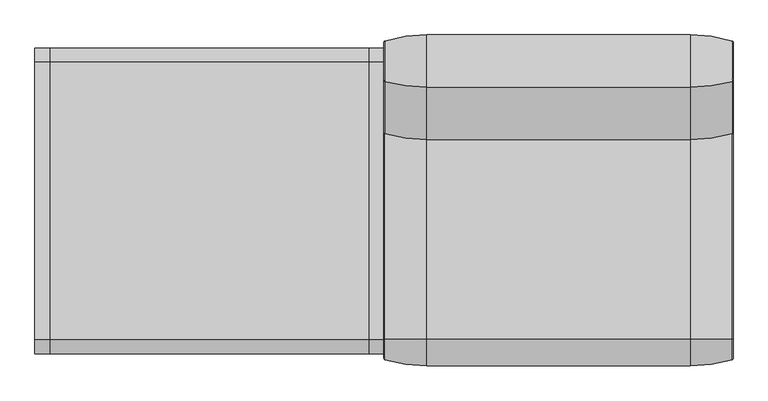
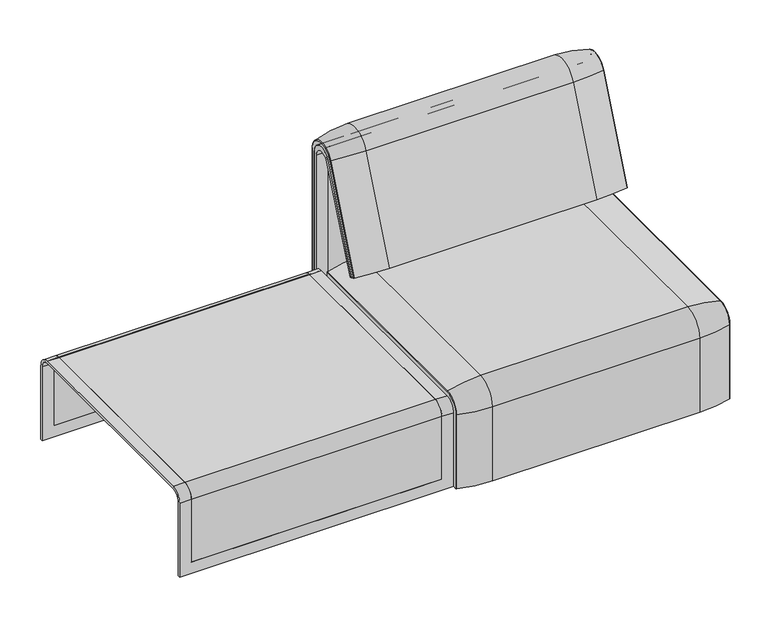
"""IFC4 building model written with IfcOpenShell, lengths in millimetres: furniture geometry."""

from ifc_helpers import new_model, si_unit, point, frame, frame_2d, origin, place, context, project, spatial, polyline, circle_curve, ellipse_curve, trimmed, segment, composite_curve, outline, extrude, source, transform, mapped, element, save
from ifc_brep_helpers import plane_surface, cylinder_surface, revolved_surface, advanced_brep


def furniture_090b2e21(model_context):
    return source(origin(), model_context, "Body", "SolidModel", [
        advanced_brep(
        [(-407.9906244, -368.7793679, 100.5089435), (-407.9906244, -357.5, 100.5089435), (407.9906244, -357.5, 100.5089435), (407.9906244, -368.7793679, 100.5089435), (405.8519959, -371.6530483, 100.5089435), (307.9906244, -386.0043559, 100.5089435), (-307.9906244, -386.0043559, 100.5089435), (-405.8519959, -371.6530483, 100.5089435), (-407.9906244, 295.0, 377.4518019), (-405.8519959, 295.0, 380.3254823), (-307.9906244, 295.0, 394.67679), (307.9906244, 295.0, 394.67679), (405.8519959, 295.0, 380.3254823), (407.9906244, 295.0, 377.4518019), (407.9906244, 295.0, 366.172434), (-407.9906244, 295.0, 366.172434), (-407.9906244, -368.7793679, 333.0583003), (-407.9906244, -324.3858663, 377.4518019), (-407.9906244, -324.3858663, 366.172434), (-407.9906244, -357.5, 333.0583003), (407.9906244, -357.5, 333.0583003), (307.9906244, -386.0043559, 333.0583003), (-307.9906244, -386.0043559, 333.0583003), (-405.8519959, -371.6530483, 333.0583003), (407.9906244, -324.3858663, 366.172434), (-307.9906244, -324.3858663, 394.67679), (307.9906244, -324.3858663, 394.67679), (-405.8519959, -324.3858663, 380.3254823), (407.9906244, -324.3858663, 377.4518019), (407.9906244, -368.7793679, 333.0583003), (405.8519959, -371.6530483, 333.0583003), (405.8519959, -324.3858663, 380.3254823)],
        [
            (0, 1),
            (1, 2),
            (2, 3),
            (3, 4, circle_curve(frame((404.9906244, -368.7793679, 100.5089435), z_axis=(0.0, 0.0, -1.0), x_axis=(-1.0, 0.0, 0.0)), 3.0)),
            (4, 5, circle_curve(frame((307.9906244, -45.1710226, 100.5089435), z_axis=(0.0, 0.0, -1.0), x_axis=(0.0, 1.0, 0.0)), 340.8333333)),
            (5, 6),
            (6, 7, circle_curve(frame((-307.9906244, -45.1710226, 100.5089435), z_axis=(0.0, 0.0, -1.0), x_axis=(0.0, 1.0, 0.0)), 340.8333333)),
            (7, 0, circle_curve(frame((-404.9906244, -368.7793679, 100.5089435), z_axis=(0.0, 0.0, -1.0), x_axis=(1.0, 0.0, 0.0)), 3.0)),
            (8, 9, circle_curve(frame((-404.9906244, 295.0, 377.4518019), z_axis=(0.0, 1.0, 0.0), x_axis=(1.0, 0.0, 0.0)), 3.0)),
            (9, 10, circle_curve(frame((-307.9906244, 295.0, 53.8434566), z_axis=(0.0, 1.0, 0.0), x_axis=(0.0, 0.0, -1.0)), 340.8333333)),
            (10, 11),
            (11, 12, circle_curve(frame((307.9906244, 295.0, 53.8434566), z_axis=(0.0, 1.0, 0.0), x_axis=(0.0, 0.0, -1.0)), 340.8333333)),
            (12, 13, circle_curve(frame((404.9906244, 295.0, 377.4518019), z_axis=(0.0, 1.0, 0.0), x_axis=(-1.0, 0.0, 0.0)), 3.0)),
            (13, 14),
            (14, 15),
            (15, 8),
            (0, 16),
            (16, 17, circle_curve(frame((-407.9906244, -324.3858663, 333.0583003), z_axis=(-1.0, 0.0, 0.0), x_axis=(0.0, -1.0, 0.0)), 44.3935016)),
            (17, 8),
            (15, 18),
            (18, 19, circle_curve(frame((-407.9906244, -324.3858663, 333.0583003), z_axis=(1.0, 0.0, 0.0), x_axis=(0.0, -1.0, 0.0)), 33.1141337)),
            (19, 1),
            (19, 20),
            (20, 2),
            (5, 21),
            (21, 22),
            (22, 6),
            (22, 23, circle_curve(frame((-307.9906244, -45.1710226, 333.0583003), z_axis=(0.0, 0.0, -1.0), x_axis=(0.0, 1.0, 0.0)), 340.8333333)),
            (23, 7),
            (23, 16, circle_curve(frame((-404.9906244, -368.7793679, 333.0583003), z_axis=(0.0, 0.0, -1.0), x_axis=(1.0, 0.0, 0.0)), 3.0)),
            (24, 20, circle_curve(frame((407.9906244, -324.3858663, 333.0583003), z_axis=(1.0, 0.0, 0.0), x_axis=(0.0, -1.0, 0.0)), 33.1141337)),
            (18, 24),
            (25, 22, circle_curve(frame((-307.9906244, -324.3858663, 333.0583003), z_axis=(1.0, 0.0, 0.0), x_axis=(0.0, -1.0, 0.0)), 61.6184897)),
            (21, 26, circle_curve(frame((307.9906244, -324.3858663, 333.0583003), z_axis=(-1.0, 0.0, 0.0), x_axis=(0.0, -1.0, 0.0)), 61.6184897)),
            (26, 25),
            (27, 23, circle_curve(frame((-405.8519959, -324.3858663, 333.0583003), z_axis=(1.0, 0.0, 0.0), x_axis=(0.0, -1.0, 0.0)), 47.267182)),
            (25, 27, circle_curve(frame((-307.9906244, -324.3858663, 53.8434566), z_axis=(0.0, -1.0, 0.0), x_axis=(0.0, 0.0, -1.0)), 340.8333333)),
            (27, 17, circle_curve(frame((-404.9906244, -324.3858663, 377.4518019), z_axis=(0.0, -1.0, 0.0), x_axis=(1.0, 0.0, 0.0)), 3.0)),
            (14, 24),
            (26, 11),
            (10, 25),
            (9, 27),
            (13, 28),
            (28, 29, circle_curve(frame((407.9906244, -324.3858663, 333.0583003), z_axis=(1.0, 0.0, 0.0), x_axis=(0.0, -1.0, 0.0)), 44.3935016)),
            (29, 3),
            (29, 30, circle_curve(frame((404.9906244, -368.7793679, 333.0583003), z_axis=(0.0, 0.0, -1.0), x_axis=(-1.0, 0.0, 0.0)), 3.0)),
            (30, 4),
            (30, 21, circle_curve(frame((307.9906244, -45.1710226, 333.0583003), z_axis=(0.0, 0.0, -1.0), x_axis=(0.0, 1.0, 0.0)), 340.8333333)),
            (31, 30, circle_curve(frame((405.8519959, -324.3858663, 333.0583003), z_axis=(1.0, 0.0, 0.0), x_axis=(0.0, -1.0, 0.0)), 47.267182)),
            (28, 31, circle_curve(frame((404.9906244, -324.3858663, 377.4518019), z_axis=(0.0, -1.0, 0.0), x_axis=(-1.0, 0.0, 0.0)), 3.0)),
            (31, 26, circle_curve(frame((307.9906244, -324.3858663, 53.8434566), z_axis=(0.0, -1.0, 0.0), x_axis=(0.0, 0.0, -1.0)), 340.8333333)),
            (12, 31),
        ],
        [
            plane_surface(frame((-407.9906244, -357.5, 100.5089435), z_axis=(0.0, 0.0, -1.0), x_axis=(1.0, 0.0, 0.0))),
            plane_surface(frame((-407.9906244, 295.0, 366.172434), z_axis=(0.0, 1.0, 0.0), x_axis=(1.0, 0.0, 0.0))),
            plane_surface(frame((-407.9906244, -368.7793679, 100.5089435), z_axis=(-1.0, 0.0, 0.0), x_axis=(0.0, 0.0, 1.0))),
            plane_surface(frame((-407.9906244, -357.5, 100.5089435), z_axis=(0.0, 1.0, 0.0), x_axis=(0.0, 0.0, 1.0))),
            plane_surface(frame((307.9906244, -386.0043559, 100.5089435), z_axis=(0.0, -1.0, 0.0), x_axis=(0.0, 0.0, 1.0))),
            cylinder_surface(frame((-307.9906244, -45.1710226, 100.5089435), z_axis=(0.0, 0.0, -1.0), x_axis=(0.0, 1.0, 0.0)), 340.8333333),
            cylinder_surface(frame((-404.9906244, -368.7793679, 100.5089435), z_axis=(0.0, 0.0, -1.0), x_axis=(1.0, 0.0, 0.0)), 3.0),
            revolved_surface(polyline([(-407.9906244, -357.5, 333.0583003), (407.9906244, -357.5, 333.0583003)]), (-407.9906244, -324.3858663, 333.0583003), (-1.0, 0.0, 0.0)),
            cylinder_surface(frame((-407.9906244, -324.3858663, 333.0583003), z_axis=(-1.0, 0.0, 0.0), x_axis=(0.0, -1.0, 0.0)), 61.6184897),
            revolved_surface(trimmed(ellipse_curve(frame((-307.9906244, -45.1710226, 333.0583003), z_axis=(0.0, 0.0, -1.0), x_axis=(0.0, 1.0, 0.0)), 340.8333333, 340.8333333), [point((-307.9906244, -386.0043559, 333.0583003))], [point((-405.8519959, -371.6530483, 333.0583003))], True, "CARTESIAN"), (-407.9906244, -324.3858663, 333.0583003), (-1.0, 0.0, 0.0)),
            revolved_surface(trimmed(ellipse_curve(frame((-404.9906244, -368.7793679, 333.0583003), z_axis=(0.0, 0.0, -1.0), x_axis=(1.0, 0.0, 0.0)), 3.0, 3.0), [point((-405.8519959, -371.6530483, 333.0583003))], [point((-407.9906244, -368.7793679, 333.0583003))], True, "CARTESIAN"), (-407.9906244, -324.3858663, 333.0583003), (-1.0, 0.0, 0.0)),
            plane_surface(frame((-407.9906244, -324.3858663, 366.172434), z_axis=(0.0, 0.0, -1.0), x_axis=(0.0, 1.0, 0.0))),
            plane_surface(frame((307.9906244, -324.3858663, 394.67679), z_axis=(0.0, 0.0, 1.0), x_axis=(0.0, 1.0, 0.0))),
            cylinder_surface(frame((-307.9906244, -324.3858663, 53.8434566), z_axis=(0.0, -1.0, 0.0), x_axis=(0.0, 0.0, -1.0)), 340.8333333),
            cylinder_surface(frame((-404.9906244, -324.3858663, 377.4518019), z_axis=(0.0, -1.0, 0.0), x_axis=(1.0, 0.0, 0.0)), 3.0),
            plane_surface(frame((407.9906244, -357.5, 100.5089435), z_axis=(1.0, 0.0, 0.0), x_axis=(0.0, 0.0, 1.0))),
            cylinder_surface(frame((404.9906244, -368.7793679, 100.5089435), z_axis=(0.0, 0.0, -1.0), x_axis=(-1.0, 0.0, 0.0)), 3.0),
            cylinder_surface(frame((307.9906244, -45.1710226, 100.5089435), z_axis=(0.0, 0.0, -1.0), x_axis=(0.0, 1.0, 0.0)), 340.8333333),
            revolved_surface(trimmed(ellipse_curve(frame((404.9906244, -368.7793679, 333.0583003), z_axis=(0.0, 0.0, -1.0), x_axis=(-1.0, 0.0, 0.0)), 3.0, 3.0), [point((407.9906244, -368.7793679, 333.0583003))], [point((405.8519959, -371.6530483, 333.0583003))], True, "CARTESIAN"), (-407.9906244, -324.3858663, 333.0583003), (-1.0, 0.0, 0.0)),
            revolved_surface(trimmed(ellipse_curve(frame((307.9906244, -45.1710226, 333.0583003), z_axis=(0.0, 0.0, -1.0), x_axis=(0.0, 1.0, 0.0)), 340.8333333, 340.8333333), [point((405.8519959, -371.6530483, 333.0583003))], [point((307.9906244, -386.0043559, 333.0583003))], True, "CARTESIAN"), (-407.9906244, -324.3858663, 333.0583003), (-1.0, 0.0, 0.0)),
            cylinder_surface(frame((404.9906244, -324.3858663, 377.4518019), z_axis=(0.0, -1.0, 0.0), x_axis=(-1.0, 0.0, 0.0)), 3.0),
            cylinder_surface(frame((307.9906244, -324.3858663, 53.8434566), z_axis=(0.0, -1.0, 0.0), x_axis=(0.0, 0.0, -1.0)), 340.8333333),
        ],
        [
            (0, [[1, 2, 3, 4, 5, 6, 7, 8]]),
            (1, [[9, 10, 11, 12, 13, 14, 15, 16]]),
            (2, [[-1, 17, 18, 19, -16, 20, 21, 22]]),
            (3, [[-2, -22, 23, 24]]),
            (4, [[-6, 25, 26, 27]]),
            (5, [[-7, -27, 28, 29]]),
            (6, [[-8, -29, 30, -17]]),
            (7, [[31, -23, -21, 32]]),
            (8, [[33, -26, 34, 35]]),
            (9, [[36, -28, -33, 37]]),
            (10, [[-18, -30, -36, 38]]),
            (11, [[-32, -20, -15, 39]]),
            (12, [[-35, 40, -11, 41]]),
            (13, [[-37, -41, -10, 42]]),
            (14, [[-38, -42, -9, -19]]),
            (15, [[-3, -24, -31, -39, -14, 43, 44, 45]]),
            (16, [[-4, -45, 46, 47]]),
            (17, [[-5, -47, 48, -25]]),
            (18, [[49, -46, -44, 50]]),
            (19, [[-34, -48, -49, 51]]),
            (20, [[-50, -43, -13, 52]]),
            (21, [[-51, -52, -12, -40]]),
        ],
    ),
        advanced_brep(
        [(408.0071685, 351.0000061, 101.8476716), (408.0071685, 359.7858817, 101.8476716), (408.0071685, 359.7858817, 720.3417731), (408.0071685, 292.4403877, 733.7122262), (408.0071685, 170.1966807, 437.98305), (408.0071685, 175.0204081, 435.9866665), (408.0071685, 296.2458652, 723.9869215), (408.0071685, 351.0000061, 712.9272623), (-407.9740803, 351.0000061, 101.8476716), (-407.9740803, 351.0000061, 712.9272623), (-407.9740803, 296.2720241, 723.9759107), (-407.9740803, 175.0204081, 435.9866665), (-407.9740803, 170.1966807, 437.98305), (-407.9740803, 292.4403877, 733.7122262), (-407.9740803, 359.7858817, 720.3417731), (-407.9740803, 359.7858817, 101.8476716), (373.0906244, 292.4403877, 733.7122262), (373.0906244, 176.0980387, 452.25948), (-373.0906244, 176.0980387, 452.25948), (-373.0906244, 292.4403877, 733.7122262), (-373.0906244, 296.2458652, 723.9869215), (-373.0906244, 181.0136548, 450.2250668), (373.0906244, 181.0136548, 450.2250668), (373.0906244, 296.2458652, 723.9869215), (373.0906244, 351.0000061, 712.9272623), (373.0906244, 351.0000061, 135.3766997), (-373.0906244, 351.0000061, 135.3766997), (-373.0906244, 351.0000061, 712.9272623), (-373.0906244, 359.7858817, 720.3417731), (-373.0906244, 359.7858817, 135.3766997), (373.0906244, 359.7858817, 135.3766997), (373.0906244, 359.7858817, 720.3417731)],
        [
            (0, 1),
            (1, 2),
            (2, 3, circle_curve(frame((408.0071685, 324.7858817, 720.3417731), z_axis=(1.0, 0.0, 0.0), x_axis=(0.0, -1.0, 0.0)), 35.0)),
            (3, 4),
            (4, 5),
            (5, 6),
            (6, 7, circle_curve(frame((408.0071685, 322.520748, 712.9272623), z_axis=(-1.0, 0.0, 0.0), x_axis=(0.0, -1.0, 0.0)), 28.479258)),
            (7, 0),
            (8, 9),
            (9, 10, circle_curve(frame((-407.9740803, 322.520748, 712.9272623), z_axis=(1.0, 0.0, 0.0), x_axis=(0.0, -1.0, 0.0)), 28.479258)),
            (10, 11),
            (11, 12),
            (12, 13),
            (13, 14, circle_curve(frame((-407.9740803, 324.7858817, 720.3417731), z_axis=(-1.0, 0.0, 0.0), x_axis=(0.0, -1.0, 0.0)), 35.0)),
            (14, 15),
            (15, 8),
            (3, 16),
            (16, 17),
            (17, 18),
            (18, 19),
            (19, 13),
            (12, 4),
            (11, 5),
            (10, 20),
            (20, 21),
            (21, 22),
            (22, 23),
            (23, 6),
            (7, 24),
            (24, 25),
            (25, 26),
            (26, 27),
            (27, 9),
            (8, 0),
            (15, 1),
            (14, 28),
            (28, 29),
            (29, 30),
            (30, 31),
            (31, 2),
            (31, 16, circle_curve(frame((373.0906244, 324.7858817, 720.3417731), z_axis=(1.0, 0.0, 0.0), x_axis=(0.0, -1.0, 0.0)), 35.0)),
            (19, 28, circle_curve(frame((-373.0906244, 324.7858817, 720.3417731), z_axis=(-1.0, 0.0, 0.0), x_axis=(0.0, -1.0, 0.0)), 35.0)),
            (23, 24, circle_curve(frame((373.0906244, 322.520748, 712.9272623), z_axis=(-1.0, 0.0, 0.0), x_axis=(0.0, -1.0, 0.0)), 28.479258)),
            (27, 20, circle_curve(frame((-373.0906244, 322.520748, 712.9272623), z_axis=(1.0, 0.0, 0.0), x_axis=(0.0, -1.0, 0.0)), 28.479258)),
            (22, 17),
            (30, 25),
            (26, 29),
            (18, 21),
        ],
        [
            plane_surface(frame((408.0071685, 359.7858817, 101.8476716), z_axis=(1.0, 0.0, 0.0), x_axis=(0.0, 1.0, 0.0))),
            plane_surface(frame((-407.9740803, 359.7858817, 101.8476716), z_axis=(-1.0, 0.0, 0.0), x_axis=(0.0, -1.0, 0.0))),
            plane_surface(frame((408.0071685, 292.4403877, 733.7122262), z_axis=(0.0, -0.9241569717933176, 0.3820129467515535), x_axis=(-1.0, 0.0, 0.0))),
            plane_surface(frame((408.0071685, 170.1966807, 437.98305), z_axis=(0.0, -0.38241039441983893, -0.9239925812687368), x_axis=(-1.0, 0.0, 0.0))),
            plane_surface(frame((408.0071685, 175.0204081, 435.9866665), z_axis=(0.0, 0.921678643444566, -0.3879542218073993), x_axis=(-1.0, 0.0, 0.0))),
            plane_surface(frame((408.0071685, 351.0000061, 712.9272623), z_axis=(0.0, -1.0, 0.0), x_axis=(-1.0, 0.0, 0.0))),
            plane_surface(frame((408.0071685, 351.0000061, 101.8476716), z_axis=(0.0, 0.0, -1.0), x_axis=(-1.0, 0.0, 0.0))),
            plane_surface(frame((408.0071685, 359.7858817, 101.8476716), z_axis=(0.0, 1.0, 0.0), x_axis=(-1.0, 0.0, 0.0))),
            cylinder_surface(frame((-407.9740803, 324.7858817, 720.3417731), z_axis=(1.0, 0.0, 0.0), x_axis=(0.0, -1.0, 0.0)), 35.0),
            revolved_surface(polyline([(373.09062439999997, 294.04149, 712.9272623), (408.0071685, 294.04149, 712.9272623)]), (-407.9740803, 322.520748, 712.9272623), (-1.0, 0.0, 0.0)),
            revolved_surface(polyline([(-407.9740803, 294.04149, 712.9272623), (-373.0906244, 294.04149, 712.9272623)]), (-407.9740803, 322.520748, 712.9272623), (-1.0, 0.0, 0.0)),
            plane_surface(frame((373.0906244, 359.7858817, 135.3766997), z_axis=(-1.0, 0.0, 0.0), x_axis=(0.0, 1.0, 0.0))),
            plane_surface(frame((-373.0906244, 359.7858817, 135.3766997), z_axis=(1.0, 0.0, 0.0), x_axis=(0.0, -1.0, 0.0))),
            plane_surface(frame((373.0906244, 166.9120641, 456.0612553), z_axis=(0.0, 0.38241039441982605, 0.9239925812687422), x_axis=(-1.0, 0.0, 0.0))),
            plane_surface(frame((373.0906244, 344.7858817, 135.3766997), z_axis=(0.0, 0.0, 1.0), x_axis=(-1.0, 0.0, 0.0))),
        ],
        [
            (0, [[1, 2, 3, 4, 5, 6, 7, 8]]),
            (1, [[9, 10, 11, 12, 13, 14, 15, 16]]),
            (2, [[-4, 17, 18, 19, 20, 21, -13, 22]]),
            (3, [[-5, -22, -12, 23]]),
            (4, [[-6, -23, -11, 24, 25, 26, 27, 28]]),
            (5, [[-8, 29, 30, 31, 32, 33, -9, 34]]),
            (6, [[-1, -34, -16, 35]]),
            (7, [[-2, -35, -15, 36, 37, 38, 39, 40]]),
            (8, [[-3, -40, 41, -17]]),
            (8, [[-14, -21, 42, -36]]),
            (9, [[-7, -28, 43, -29]]),
            (10, [[-10, -33, 44, -24]]),
            (11, [[45, -18, -41, -39, 46, -30, -43, -27]]),
            (12, [[47, -37, -42, -20, 48, -25, -44, -32]]),
            (13, [[-45, -26, -48, -19]]),
            (14, [[-46, -38, -47, -31]]),
        ],
    ),
        advanced_brep(
        [(373.0906244, 351.0000061, 135.3766997), (373.0906244, 359.7858817, 135.3766997), (373.0906244, 359.7858817, 720.3417731), (373.0906244, 292.4403877, 733.7122262), (373.0906244, 176.0980387, 452.25948), (373.0906244, 181.0136548, 450.2250668), (373.0906244, 296.2458652, 723.9869215), (373.0906244, 351.0000061, 712.9272623), (-373.0906244, 351.0000061, 135.3766997), (-373.0906244, 351.0000061, 712.9272623), (-373.0906244, 296.2720241, 723.9759107), (-373.0906244, 181.0136548, 450.2250668), (-373.0906244, 176.0980387, 452.25948), (-373.0906244, 292.4403877, 733.7122262), (-373.0906244, 359.7858817, 720.3417731), (-373.0906244, 359.7858817, 135.3766997)],
        [
            (0, 1),
            (1, 2),
            (2, 3, circle_curve(frame((373.0906244, 324.7858817, 720.3417731), z_axis=(1.0, 0.0, 0.0), x_axis=(0.0, -1.0, 0.0)), 35.0)),
            (3, 4),
            (4, 5),
            (5, 6),
            (6, 7, circle_curve(frame((373.0906244, 322.520748, 712.9272623), z_axis=(-1.0, 0.0, 0.0), x_axis=(0.0, -1.0, 0.0)), 28.479258)),
            (7, 0),
            (8, 9),
            (9, 10, circle_curve(frame((-373.0906244, 322.520748, 712.9272623), z_axis=(1.0, 0.0, 0.0), x_axis=(0.0, -1.0, 0.0)), 28.479258)),
            (10, 11),
            (11, 12),
            (12, 13),
            (13, 14, circle_curve(frame((-373.0906244, 324.7858817, 720.3417731), z_axis=(-1.0, 0.0, 0.0), x_axis=(0.0, -1.0, 0.0)), 35.0)),
            (14, 15),
            (15, 8),
            (3, 13),
            (12, 4),
            (11, 5),
            (10, 6),
            (7, 9),
            (8, 0),
            (15, 1),
            (14, 2),
        ],
        [
            plane_surface(frame((373.0906244, 359.7858817, 135.3766997), z_axis=(1.0, 0.0, 0.0), x_axis=(0.0, 1.0, 0.0))),
            plane_surface(frame((-373.0906244, 359.7858817, 135.3766997), z_axis=(-1.0, 0.0, 0.0), x_axis=(0.0, -1.0, 0.0))),
            plane_surface(frame((373.0906244, 292.4403877, 733.7122262), z_axis=(0.0, -0.9241569717933176, 0.3820129467515535), x_axis=(-1.0, 0.0, 0.0))),
            plane_surface(frame((373.0906244, 176.0980387, 452.25948), z_axis=(0.0, -0.38241039441982716, -0.9239925812687417), x_axis=(-1.0, 0.0, 0.0))),
            plane_surface(frame((373.0906244, 181.0136548, 450.2250668), z_axis=(0.0, 0.921678643444566, -0.3879542218073993), x_axis=(-1.0, 0.0, 0.0))),
            plane_surface(frame((373.0906244, 351.0000061, 712.9272623), z_axis=(0.0, -1.0, 0.0), x_axis=(-1.0, 0.0, 0.0))),
            plane_surface(frame((373.0906244, 351.0000061, 135.3766997), z_axis=(0.0, 0.0, -1.0), x_axis=(-1.0, 0.0, 0.0))),
            plane_surface(frame((373.0906244, 359.7858817, 135.3766997), z_axis=(0.0, 1.0, 0.0), x_axis=(-1.0, 0.0, 0.0))),
            cylinder_surface(frame((-373.0906244, 324.7858817, 720.3417731), z_axis=(1.0, 0.0, 0.0), x_axis=(0.0, -1.0, 0.0)), 35.0),
            revolved_surface(polyline([(-373.0906244, 294.04149, 712.9272623), (373.0906244, 294.04149, 712.9272623)]), (-373.0906244, 322.520748, 712.9272623), (-1.0, 0.0, 0.0)),
        ],
        [
            (0, [[1, 2, 3, 4, 5, 6, 7, 8]]),
            (1, [[9, 10, 11, 12, 13, 14, 15, 16]]),
            (2, [[-4, 17, -13, 18]]),
            (3, [[-5, -18, -12, 19]]),
            (4, [[-6, -19, -11, 20]]),
            (5, [[-8, 21, -9, 22]]),
            (6, [[-1, -22, -16, 23]]),
            (7, [[-2, -23, -15, 24]]),
            (8, [[-3, -24, -14, -17]]),
            (9, [[-7, -20, -10, -21]]),
        ],
    ),
        extrude(outline(composite_curve([segment(trimmed(circle_curve(frame_2d((305.0000061, 379.9223263)), 30.0), [point((305.0000061, 349.9223263))], [point((335.0000061, 379.9223263))], True, "CARTESIAN"), True, "CONTINUOUS"), segment(polyline([(335.0000061, 379.9223263), (335.0000061, 515.0657595)]), True, "CONTINUOUS"), segment(trimmed(circle_curve(frame_2d((305.0000061, 515.0657595)), 30.0), [point((335.0000061, 515.0657595))], [point((316.7219399, 542.6809051))], True, "CARTESIAN"), True, "CONTINUOUS"), segment(polyline([(316.7219399, 542.6809051), (257.4911714, 567.8228747)]), True, "CONTINUOUS"), segment(trimmed(circle_curve(frame_2d((251.6302045, 554.0153019)), 15.0), [point((257.4911714, 567.8228747))], [point((238.0355877, 560.3545758))], True, "CARTESIAN"), True, "CONTINUOUS"), segment(polyline([(238.0355877, 560.3545758), (222.2725218, 526.5505721), (213.7507451, 529.5682915), (296.3054528, 724.0549949)]), True, "CONTINUOUS"), segment(trimmed(circle_curve(frame_2d((322.520748, 712.9272623)), 28.479258), [point((296.3054528, 724.0549949))], [point((351.0000061, 712.9272623))], False, "CARTESIAN"), True, "CONTINUOUS"), segment(polyline([(351.0000061, 712.9272623), (351.0000061, 197.0551771), (343.3075759, 197.0551771), (339.4064861, 271.492405)]), True, "CONTINUOUS"), segment(trimmed(circle_curve(frame_2d((309.4476, 269.9223263)), 30.0), [point((339.4064861, 271.492405))], [point((309.4476, 299.9223263))], True, "CARTESIAN"), True, "CONTINUOUS"), segment(polyline([(309.4476, 299.9223263), (270.0000061, 299.9223263), (270.0000061, 359.9223263), (275.0000061, 359.9223263)]), True, "CONTINUOUS"), segment(trimmed(circle_curve(frame_2d((285.0000061, 359.9223263)), 10.0), [point((275.0000061, 359.9223263))], [point((285.0000061, 349.9223263))], True, "CARTESIAN"), True, "CONTINUOUS"), segment(polyline([(285.0000061, 349.9223263), (305.0000061, 349.9223263)]), True, "CONTINUOUS")], self_intersect=False), holes=[composite_curve([segment(polyline([(337.5000061, 576.3274105), (337.5000061, 716.7072663)]), True, "CONTINUOUS"), segment(trimmed(circle_curve(frame_2d((322.5000061, 716.7072663)), 15.0), [point((337.5000061, 716.7072663))], [point((308.9053893, 723.0465402))], True, "CARTESIAN"), True, "CONTINUOUS"), segment(polyline([(308.9053893, 723.0465402), (253.6256191, 604.4986904)]), True, "CONTINUOUS"), segment(trimmed(circle_curve(frame_2d((271.7517748, 596.0463251)), 20.0), [point((253.6256191, 604.4986904))], [point((265.0756376, 577.1934953))], True, "CARTESIAN"), True, "CONTINUOUS"), segment(polyline([(265.0756376, 577.1934953), (314.1406626, 559.8186587)]), True, "CONTINUOUS"), segment(trimmed(circle_curve(frame_2d((319.9867182, 576.3274105)), 17.5132879), [point((314.1406626, 559.8186587))], [point((337.5000061, 576.3274105))], True, "CARTESIAN"), True, "CONTINUOUS")], self_intersect=False)]), frame((244.9947968, 0.0, 0.0), z_axis=(1.0, 0.0, 0.0), x_axis=(0.0, 1.0, 0.0)), (0.0, 0.0, 1.0), 40.0),
        advanced_brep(
        [(308.0071685, 388.2902376, 100.5089435), (405.86854, 373.93893, 100.5089435), (408.0071685, 371.0652495, 100.5089435), (408.0071685, 359.7858817, 100.5089435), (-408.0071685, 359.7858817, 100.5089435), (-408.0071685, 371.0652495, 100.5089435), (-405.86854, 373.93893, 100.5089435), (-308.0071685, 388.2902376, 100.5089435), (-308.0071685, 388.2902376, 720.3417731), (308.0071685, 388.2902376, 720.3417731), (405.86854, 373.93893, 720.3417731), (408.0071685, 371.0652495, 720.3417731), (408.0071685, 282.0164812, 738.0210907), (408.0071685, 159.7723383, 442.2908598), (408.0071685, 170.1962447, 437.9819952), (408.0071685, 292.4403877, 733.7122262), (408.0071685, 359.7858817, 720.3417731), (-408.0071685, 359.7858817, 720.3417731), (308.0071685, 143.8537454, 448.8710282), (-308.0071685, 143.8537454, 448.8710282), (-405.86854, 157.1166065, 443.3886429), (-408.0071685, 159.7723383, 442.2908598), (-408.0071685, 170.1962447, 437.9819952), (405.86854, 157.1166065, 443.3886429), (308.0071685, 266.0978884, 744.6012592), (-308.0071685, 266.0978884, 744.6012592), (405.86854, 279.3607494, 739.1188739), (-408.0071685, 292.4403877, 733.7122262), (-408.0071685, 282.0164812, 738.0210907), (-408.0071685, 371.0652495, 720.3417731), (-405.86854, 373.93893, 720.3417731), (-405.86854, 279.3607494, 739.1188739)],
        [
            (0, 1, circle_curve(frame((308.0071685, 47.4569043, 100.5089435), z_axis=(0.0, 0.0, -1.0), x_axis=(0.0, -1.0, 0.0)), 340.8333333)),
            (1, 2, circle_curve(frame((405.0071685, 371.0652495, 100.5089435), z_axis=(0.0, 0.0, -1.0), x_axis=(1.0, 0.0, 0.0)), 3.0)),
            (2, 3),
            (3, 4),
            (4, 5),
            (5, 6, circle_curve(frame((-405.0071685, 371.0652495, 100.5089435), z_axis=(0.0, 0.0, -1.0), x_axis=(-1.0, 0.0, 0.0)), 3.0)),
            (6, 7, circle_curve(frame((-308.0071685, 47.4569043, 100.5089435), z_axis=(0.0, 0.0, -1.0), x_axis=(0.0, -1.0, 0.0)), 340.8333333)),
            (7, 0),
            (7, 8),
            (8, 9),
            (9, 0),
            (9, 10, circle_curve(frame((308.0071685, 47.4569043, 720.3417731), z_axis=(0.0, 0.0, -1.0), x_axis=(0.0, -1.0, 0.0)), 340.8333333)),
            (10, 1),
            (10, 11, circle_curve(frame((405.0071685, 371.0652495, 720.3417731), z_axis=(0.0, 0.0, -1.0), x_axis=(1.0, 0.0, 0.0)), 3.0)),
            (11, 2),
            (11, 12, circle_curve(frame((408.0071685, 324.7858817, 720.3417731), z_axis=(1.0, 0.0, 0.0), x_axis=(0.0, 1.0, 0.0)), 46.2793679)),
            (12, 13),
            (13, 14),
            (14, 15),
            (15, 16, circle_curve(frame((408.0071685, 324.7858817, 720.3417731), z_axis=(-1.0, 0.0, 0.0), x_axis=(0.0, 1.0, 0.0)), 35.0)),
            (16, 3),
            (16, 17),
            (17, 4),
            (18, 19),
            (19, 20, circle_curve(frame((-308.0071685, 458.8372467, 318.6682822), z_axis=(0.0, -0.38201294675155345, -0.9241569717933176), x_axis=(0.0, 0.9241569717933176, -0.38201294675155345)), 340.8333333)),
            (20, 21, circle_curve(frame((-405.0071685, 159.7723383, 442.2908598), z_axis=(0.0, -0.38201294675155345, -0.9241569717933176), x_axis=(-1.0, 0.0, 0.0)), 3.0)),
            (21, 22),
            (22, 14),
            (13, 23, circle_curve(frame((405.0071685, 159.7723383, 442.2908598), z_axis=(0.0, -0.38201294675155345, -0.9241569717933176), x_axis=(1.0, 0.0, 0.0)), 3.0)),
            (23, 18, circle_curve(frame((308.0071685, 458.8372467, 318.6682822), z_axis=(0.0, -0.38201294675155345, -0.9241569717933176), x_axis=(0.0, 0.9241569717933176, -0.38201294675155345)), 340.8333333)),
            (24, 9, circle_curve(frame((308.0071685, 324.7858817, 720.3417731), z_axis=(-1.0, 0.0, 0.0), x_axis=(0.0, 1.0, 0.0)), 63.5043559)),
            (8, 25, circle_curve(frame((-308.0071685, 324.7858817, 720.3417731), z_axis=(1.0, 0.0, 0.0), x_axis=(0.0, 1.0, 0.0)), 63.5043559)),
            (25, 24),
            (26, 10, circle_curve(frame((405.86854, 324.7858817, 720.3417731), z_axis=(-1.0, 0.0, 0.0), x_axis=(0.0, 1.0, 0.0)), 49.1530483)),
            (24, 26, circle_curve(frame((308.0071685, 581.0813896, 614.3985132), z_axis=(0.0, 0.382012946751556, 0.9241569717933165), x_axis=(0.0, 0.9241569717933165, -0.382012946751556)), 340.8333333)),
            (26, 12, circle_curve(frame((405.0071685, 282.0164812, 738.0210907), z_axis=(0.0, 0.3820129467515552, 0.9241569717933168), x_axis=(1.0, 0.0, 0.0)), 3.0)),
            (27, 17, circle_curve(frame((-408.0071685, 324.7858817, 720.3417731), z_axis=(-1.0, 0.0, 0.0), x_axis=(0.0, 1.0, 0.0)), 35.0)),
            (15, 27),
            (25, 19),
            (18, 24),
            (23, 26),
            (22, 27),
            (21, 28),
            (28, 29, circle_curve(frame((-408.0071685, 324.7858817, 720.3417731), z_axis=(-1.0, 0.0, 0.0), x_axis=(0.0, 1.0, 0.0)), 46.2793679)),
            (29, 5),
            (29, 30, circle_curve(frame((-405.0071685, 371.0652495, 720.3417731), z_axis=(0.0, 0.0, -1.0), x_axis=(-1.0, 0.0, 0.0)), 3.0)),
            (30, 6),
            (30, 8, circle_curve(frame((-308.0071685, 47.4569043, 720.3417731), z_axis=(0.0, 0.0, -1.0), x_axis=(0.0, -1.0, 0.0)), 340.8333333)),
            (31, 30, circle_curve(frame((-405.86854, 324.7858817, 720.3417731), z_axis=(-1.0, 0.0, 0.0), x_axis=(0.0, 1.0, 0.0)), 49.1530483)),
            (28, 31, circle_curve(frame((-405.0071685, 282.0164812, 738.0210907), z_axis=(0.0, 0.3820129467515544, 0.9241569717933172), x_axis=(-1.0, 0.0, 0.0)), 3.0)),
            (31, 25, circle_curve(frame((-308.0071685, 581.0813896, 614.3985132), z_axis=(0.0, 0.3820129467515532, 0.9241569717933177), x_axis=(0.0, 0.9241569717933177, -0.3820129467515532)), 340.8333333)),
            (20, 31),
        ],
        [
            plane_surface(frame((4.7650232, 359.7858817, 100.5089435), z_axis=(0.0, 0.0, -1.0), x_axis=(1.0, 0.0, 0.0))),
            plane_surface(frame((-308.0071685, 388.2902376, 100.5089435), z_axis=(0.0, 1.0, 0.0), x_axis=(0.0, 0.0, 1.0))),
            cylinder_surface(frame((308.0071685, 47.4569043, 100.5089435), z_axis=(0.0, 0.0, -1.0), x_axis=(0.0, -1.0, 0.0)), 340.8333333),
            cylinder_surface(frame((405.0071685, 371.0652495, 100.5089435), z_axis=(0.0, 0.0, -1.0), x_axis=(1.0, 0.0, 0.0)), 3.0),
            plane_surface(frame((408.0071685, 371.0652495, 100.5089435), z_axis=(1.0, 0.0, 0.0), x_axis=(0.0, 0.0, 1.0))),
            plane_surface(frame((408.0071685, 359.7858817, 100.5089435), z_axis=(0.0, -1.0, 0.0), x_axis=(0.0, 0.0, 1.0))),
            plane_surface(frame((4.7650232, 170.1962447, 437.9819952), z_axis=(0.0, -0.38201294675155345, -0.9241569717933176), x_axis=(1.0, 0.0, 0.0))),
            cylinder_surface(frame((4.7650232, 324.7858817, 720.3417731), z_axis=(1.0, 0.0, 0.0), x_axis=(0.0, 1.0, 0.0)), 63.5043559),
            revolved_surface(trimmed(ellipse_curve(frame((308.0071685, 47.4569043, 720.3417731), z_axis=(0.0, 0.0, -1.0), x_axis=(0.0, -1.0, 0.0)), 340.8333333, 340.8333333), [point((308.0071685, 388.2902376, 720.3417731))], [point((405.86854, 373.93893, 720.3417731))], True, "CARTESIAN"), (4.7650232, 324.7858817, 720.3417731), (1.0, 0.0, 0.0)),
            revolved_surface(trimmed(ellipse_curve(frame((405.0071685, 371.0652495, 720.3417731), z_axis=(0.0, 0.0, -1.0), x_axis=(1.0, 0.0, 0.0)), 3.0, 3.0), [point((405.86854, 373.93893, 720.3417731))], [point((408.0071685, 371.0652495, 720.3417731))], True, "CARTESIAN"), (4.7650232, 324.7858817, 720.3417731), (1.0, 0.0, 0.0)),
            revolved_surface(polyline([(408.0071685, 359.7858817, 720.3417731), (-408.0071685, 359.7858817, 720.3417731)]), (4.7650232, 324.7858817, 720.3417731), (1.0, 0.0, 0.0)),
            plane_surface(frame((-308.0071685, 266.0978884, 744.6012592), z_axis=(0.0, -0.9241569717933176, 0.38201294675155356), x_axis=(0.0, -0.38201294675155356, -0.9241569717933176))),
            cylinder_surface(frame((308.0071685, 581.0813896, 614.3985132), z_axis=(0.0, 0.38201294675155345, 0.9241569717933176), x_axis=(0.0, 0.9241569717933176, -0.38201294675155345)), 340.8333333),
            cylinder_surface(frame((405.0071685, 282.0164812, 738.0210907), z_axis=(0.0, 0.38201294675155345, 0.9241569717933176), x_axis=(1.0, 0.0, 0.0)), 3.0),
            plane_surface(frame((408.0071685, 292.4403877, 733.7122262), z_axis=(0.0, 0.9241569717933176, -0.38201294675155356), x_axis=(0.0, -0.38201294675155356, -0.9241569717933176))),
            plane_surface(frame((-408.0071685, 359.7858817, 100.5089435), z_axis=(-1.0, 0.0, 0.0), x_axis=(0.0, 0.0, 1.0))),
            cylinder_surface(frame((-405.0071685, 371.0652495, 100.5089435), z_axis=(0.0, 0.0, -1.0), x_axis=(-1.0, 0.0, 0.0)), 3.0),
            cylinder_surface(frame((-308.0071685, 47.4569043, 100.5089435), z_axis=(0.0, 0.0, -1.0), x_axis=(0.0, -1.0, 0.0)), 340.8333333),
            revolved_surface(trimmed(ellipse_curve(frame((-405.0071685, 371.0652495, 720.3417731), z_axis=(0.0, 0.0, -1.0), x_axis=(-1.0, 0.0, 0.0)), 3.0, 3.0), [point((-408.0071685, 371.0652495, 720.3417731))], [point((-405.86854, 373.93893, 720.3417731))], True, "CARTESIAN"), (4.7650232, 324.7858817, 720.3417731), (1.0, 0.0, 0.0)),
            revolved_surface(trimmed(ellipse_curve(frame((-308.0071685, 47.4569043, 720.3417731), z_axis=(0.0, 0.0, -1.0), x_axis=(0.0, -1.0, 0.0)), 340.8333333, 340.8333333), [point((-405.86854, 373.93893, 720.3417731))], [point((-308.0071685, 388.2902376, 720.3417731))], True, "CARTESIAN"), (4.7650232, 324.7858817, 720.3417731), (1.0, 0.0, 0.0)),
            cylinder_surface(frame((-405.0071685, 282.0164812, 738.0210907), z_axis=(0.0, 0.38201294675155345, 0.9241569717933176), x_axis=(-1.0, 0.0, 0.0)), 3.0),
            cylinder_surface(frame((-308.0071685, 581.0813896, 614.3985132), z_axis=(0.0, 0.38201294675155345, 0.9241569717933176), x_axis=(0.0, 0.9241569717933176, -0.38201294675155345)), 340.8333333),
        ],
        [
            (0, [[1, 2, 3, 4, 5, 6, 7, 8]]),
            (1, [[-8, 9, 10, 11]]),
            (2, [[-1, -11, 12, 13]]),
            (3, [[-2, -13, 14, 15]]),
            (4, [[-3, -15, 16, 17, 18, 19, 20, 21]]),
            (5, [[-4, -21, 22, 23]]),
            (6, [[24, 25, 26, 27, 28, -18, 29, 30]]),
            (7, [[31, -10, 32, 33]]),
            (8, [[34, -12, -31, 35]]),
            (9, [[-16, -14, -34, 36]]),
            (10, [[37, -22, -20, 38]]),
            (11, [[-33, 39, -24, 40]]),
            (12, [[-35, -40, -30, 41]]),
            (13, [[-36, -41, -29, -17]]),
            (14, [[-38, -19, -28, 42]]),
            (15, [[-5, -23, -37, -42, -27, 43, 44, 45]]),
            (16, [[-6, -45, 46, 47]]),
            (17, [[-7, -47, 48, -9]]),
            (18, [[49, -46, -44, 50]]),
            (19, [[-32, -48, -49, 51]]),
            (20, [[-50, -43, -26, 52]]),
            (21, [[-51, -52, -25, -39]]),
        ],
    ),
        extrude(outline(composite_curve([segment(trimmed(circle_curve(frame_2d((305.0000061, 379.9223263)), 30.0), [point((305.0000061, 349.9223263))], [point((335.0000061, 379.9223263))], True, "CARTESIAN"), True, "CONTINUOUS"), segment(polyline([(335.0000061, 379.9223263), (335.0000061, 515.0657595)]), True, "CONTINUOUS"), segment(trimmed(circle_curve(frame_2d((305.0000061, 515.0657595)), 30.0), [point((335.0000061, 515.0657595))], [point((316.7219399, 542.6809051))], True, "CARTESIAN"), True, "CONTINUOUS"), segment(polyline([(316.7219399, 542.6809051), (257.4911714, 567.8228747)]), True, "CONTINUOUS"), segment(trimmed(circle_curve(frame_2d((251.6302045, 554.0153019)), 15.0), [point((257.4911714, 567.8228747))], [point((238.0355877, 560.3545758))], True, "CARTESIAN"), True, "CONTINUOUS"), segment(polyline([(238.0355877, 560.3545758), (222.2725218, 526.5505721), (213.7507451, 529.5682915), (296.3054528, 724.0549949)]), True, "CONTINUOUS"), segment(trimmed(circle_curve(frame_2d((322.520748, 712.9272623)), 28.479258), [point((296.3054528, 724.0549949))], [point((351.0000061, 712.9272623))], False, "CARTESIAN"), True, "CONTINUOUS"), segment(polyline([(351.0000061, 712.9272623), (351.0000061, 197.0551771), (343.3075759, 197.0551771), (339.4064861, 271.492405)]), True, "CONTINUOUS"), segment(trimmed(circle_curve(frame_2d((309.4476, 269.9223263)), 30.0), [point((339.4064861, 271.492405))], [point((309.4476, 299.9223263))], True, "CARTESIAN"), True, "CONTINUOUS"), segment(polyline([(309.4476, 299.9223263), (270.0000061, 299.9223263), (270.0000061, 359.9223263), (275.0000061, 359.9223263)]), True, "CONTINUOUS"), segment(trimmed(circle_curve(frame_2d((285.0000061, 359.9223263)), 10.0), [point((275.0000061, 359.9223263))], [point((285.0000061, 349.9223263))], True, "CARTESIAN"), True, "CONTINUOUS"), segment(polyline([(285.0000061, 349.9223263), (305.0000061, 349.9223263)]), True, "CONTINUOUS")], self_intersect=False), holes=[composite_curve([segment(polyline([(337.5000061, 576.3274105), (337.5000061, 716.7072663)]), True, "CONTINUOUS"), segment(trimmed(circle_curve(frame_2d((322.5000061, 716.7072663)), 15.0), [point((337.5000061, 716.7072663))], [point((308.9053893, 723.0465402))], True, "CARTESIAN"), True, "CONTINUOUS"), segment(polyline([(308.9053893, 723.0465402), (253.6256191, 604.4986904)]), True, "CONTINUOUS"), segment(trimmed(circle_curve(frame_2d((271.7517748, 596.0463251)), 20.0), [point((253.6256191, 604.4986904))], [point((265.0756376, 577.1934953))], True, "CARTESIAN"), True, "CONTINUOUS"), segment(polyline([(265.0756376, 577.1934953), (314.1406626, 559.8186587)]), True, "CONTINUOUS"), segment(trimmed(circle_curve(frame_2d((319.9867182, 576.3274105)), 17.5132879), [point((314.1406626, 559.8186587))], [point((337.5000061, 576.3274105))], True, "CARTESIAN"), True, "CONTINUOUS")], self_intersect=False)]), frame((-284.9947968, 0.0, 0.0), z_axis=(1.0, 0.0, 0.0), x_axis=(0.0, 1.0, 0.0)), (0.0, 0.0, 1.0), 40.0),
        advanced_brep(
        [(-1223.9718733, 323.7517936, 359.922434), (-1223.9718733, -323.7517936, 359.922434), (-1223.9718733, -351.0, 332.6742277), (-1223.9718733, -351.0, 100.5089435), (-1223.9718733, -357.5, 100.5089435), (-1223.9718733, -357.5, 333.0583003), (-1223.9718733, -324.3858663, 366.172434), (-1223.9718733, 324.3858663, 366.172434), (-1223.9718733, 357.5, 333.0583003), (-1223.9718733, 357.5, 100.5089435), (-1223.9718733, 351.0, 100.5089435), (-1223.9718733, 351.0, 332.6742277), (-407.9906244, 323.7517936, 359.922434), (-407.9906244, 351.0, 332.6742277), (-407.9906244, 351.0, 100.5089435), (-407.9906244, 357.5, 100.5089435), (-407.9906244, 357.5, 333.0583003), (-407.9906244, 324.3858663, 366.172434), (-407.9906244, -324.3858663, 366.172434), (-407.9906244, -357.5, 333.0583003), (-407.9906244, -357.5, 100.5089435), (-407.9906244, -351.0, 100.5089435), (-407.9906244, -351.0, 332.6742277), (-407.9906244, -323.7517936, 359.922434), (-1189.0718733, -324.3858663, 366.172434), (-1189.0718733, 324.3858663, 366.172434), (-442.8906244, 324.3858663, 366.172434), (-442.8906244, -324.3858663, 366.172434), (-1189.0718733, -357.5, 333.0583003), (-442.8906244, -357.5, 333.0583003), (-442.8906244, -357.5, 135.3766997), (-1189.0718733, -357.5, 135.3766997), (-1189.0718733, -351.0, 332.6742277), (-1189.0718733, -351.0, 135.3766997), (-442.8906244, -351.0, 135.3766997), (-442.8906244, -351.0, 332.6742277), (-1189.0718733, -323.7517936, 359.922434), (-442.8906244, -323.7517936, 359.922434), (-1189.0718733, 323.7517936, 359.922434), (-442.8906244, 323.7517936, 359.922434), (-1189.0718733, 357.5, 333.0583003), (-442.8906244, 357.5, 333.0583003), (-1189.0718733, 357.5, 135.3766997), (-442.8906244, 357.5, 135.3766997), (-442.8906244, 351.0, 332.6742277), (-442.8906244, 351.0, 135.3766997), (-1189.0718733, 351.0, 135.3766997), (-1189.0718733, 351.0, 332.6742277)],
        [
            (0, 1),
            (1, 2, circle_curve(frame((-1223.9718733, -323.7517936, 332.6742277), z_axis=(1.0, 0.0, 0.0), x_axis=(0.0, -1.0, 0.0)), 27.2482064)),
            (2, 3),
            (3, 4),
            (4, 5),
            (5, 6, circle_curve(frame((-1223.9718733, -324.3858663, 333.0583003), z_axis=(-1.0, 0.0, 0.0), x_axis=(0.0, -1.0, 0.0)), 33.1141337)),
            (6, 7),
            (7, 8, circle_curve(frame((-1223.9718733, 324.3858663, 333.0583003), z_axis=(-1.0, 0.0, 0.0), x_axis=(0.0, 1.0, 0.0)), 33.1141337)),
            (8, 9),
            (9, 10),
            (10, 11),
            (11, 0, circle_curve(frame((-1223.9718733, 323.7517936, 332.6742277), z_axis=(1.0, 0.0, 0.0), x_axis=(0.0, 1.0, 0.0)), 27.2482064)),
            (12, 13, circle_curve(frame((-407.9906244, 323.7517936, 332.6742277), z_axis=(-1.0, 0.0, 0.0), x_axis=(0.0, 1.0, 0.0)), 27.2482064)),
            (13, 14),
            (14, 15),
            (15, 16),
            (16, 17, circle_curve(frame((-407.9906244, 324.3858663, 333.0583003), z_axis=(1.0, 0.0, 0.0), x_axis=(0.0, 1.0, 0.0)), 33.1141337)),
            (17, 18),
            (18, 19, circle_curve(frame((-407.9906244, -324.3858663, 333.0583003), z_axis=(1.0, 0.0, 0.0), x_axis=(0.0, -1.0, 0.0)), 33.1141337)),
            (19, 20),
            (20, 21),
            (21, 22),
            (22, 23, circle_curve(frame((-407.9906244, -323.7517936, 332.6742277), z_axis=(-1.0, 0.0, 0.0), x_axis=(0.0, -1.0, 0.0)), 27.2482064)),
            (23, 12),
            (6, 24),
            (24, 25),
            (25, 7),
            (17, 26),
            (26, 27),
            (27, 18),
            (5, 28),
            (28, 24, circle_curve(frame((-1189.0718733, -324.3858663, 333.0583003), z_axis=(-1.0, 0.0, 0.0), x_axis=(0.0, -1.0, 0.0)), 33.1141337)),
            (27, 29, circle_curve(frame((-442.8906244, -324.3858663, 333.0583003), z_axis=(1.0, 0.0, 0.0), x_axis=(0.0, -1.0, 0.0)), 33.1141337)),
            (29, 19),
            (4, 20),
            (29, 30),
            (30, 31),
            (31, 28),
            (3, 21),
            (2, 32),
            (32, 33),
            (33, 34),
            (34, 35),
            (35, 22),
            (1, 36),
            (36, 32, circle_curve(frame((-1189.0718733, -323.7517936, 332.6742277), z_axis=(1.0, 0.0, 0.0), x_axis=(0.0, -1.0, 0.0)), 27.2482064)),
            (35, 37, circle_curve(frame((-442.8906244, -323.7517936, 332.6742277), z_axis=(-1.0, 0.0, 0.0), x_axis=(0.0, -1.0, 0.0)), 27.2482064)),
            (37, 23),
            (0, 38),
            (38, 36),
            (37, 39),
            (39, 12),
            (25, 40, circle_curve(frame((-1189.0718733, 324.3858663, 333.0583003), z_axis=(-1.0, 0.0, 0.0), x_axis=(0.0, 1.0, 0.0)), 33.1141337)),
            (40, 8),
            (16, 41),
            (41, 26, circle_curve(frame((-442.8906244, 324.3858663, 333.0583003), z_axis=(1.0, 0.0, 0.0), x_axis=(0.0, 1.0, 0.0)), 33.1141337)),
            (40, 42),
            (42, 43),
            (43, 41),
            (15, 9),
            (14, 10),
            (13, 44),
            (44, 45),
            (45, 46),
            (46, 47),
            (47, 11),
            (47, 38, circle_curve(frame((-1189.0718733, 323.7517936, 332.6742277), z_axis=(1.0, 0.0, 0.0), x_axis=(0.0, 1.0, 0.0)), 27.2482064)),
            (39, 44, circle_curve(frame((-442.8906244, 323.7517936, 332.6742277), z_axis=(-1.0, 0.0, 0.0), x_axis=(0.0, 1.0, 0.0)), 27.2482064)),
            (46, 42),
            (31, 33),
            (34, 30),
            (43, 45),
        ],
        [
            plane_surface(frame((-1223.9718733, -296.9265415, 359.922434), z_axis=(-1.0, 0.0, 0.0), x_axis=(0.0, -1.0, 0.0))),
            plane_surface(frame((-407.9906244, -296.9265415, 359.922434), z_axis=(1.0, 0.0, 0.0), x_axis=(0.0, 1.0, 0.0))),
            plane_surface(frame((-1223.9718733, -324.3858663, 366.172434), z_axis=(0.0, 0.0, 1.0), x_axis=(1.0, 0.0, 0.0))),
            cylinder_surface(frame((-407.9906244, -324.3858663, 333.0583003), z_axis=(-1.0, 0.0, 0.0), x_axis=(0.0, -1.0, 0.0)), 33.1141337),
            plane_surface(frame((-1223.9718733, -357.5, 100.5089435), z_axis=(0.0, -1.0, 0.0), x_axis=(1.0, 0.0, 0.0))),
            plane_surface(frame((-1223.9718733, -351.0, 100.5089435), z_axis=(0.0, 0.0, -1.0), x_axis=(1.0, 0.0, 0.0))),
            plane_surface(frame((-1223.9718733, -351.0, 332.6742277), z_axis=(0.0, 1.0, 0.0), x_axis=(1.0, 0.0, 0.0))),
            revolved_surface(polyline([(-1189.0718733, -351.0, 332.6742277), (-1223.9718733, -351.0, 332.6742277)]), (-407.9906244, -323.7517936, 332.6742277), (1.0, 0.0, 0.0)),
            revolved_surface(polyline([(-407.9906244, -351.0, 332.6742277), (-442.8906244, -351.0, 332.6742277)]), (-407.9906244, -323.7517936, 332.6742277), (1.0, 0.0, 0.0)),
            plane_surface(frame((-1223.9718733, 323.7517936, 359.922434), z_axis=(0.0, 0.0, -1.0), x_axis=(1.0, 0.0, 0.0))),
            cylinder_surface(frame((-407.9906244, 324.3858663, 333.0583003), z_axis=(-1.0, 0.0, 0.0), x_axis=(0.0, 1.0, 0.0)), 33.1141337),
            plane_surface(frame((-1223.9718733, 357.5, 333.0583003), z_axis=(0.0, 1.0, 0.0), x_axis=(1.0, 0.0, 0.0))),
            plane_surface(frame((-1223.9718733, 357.5, 100.5089435), z_axis=(0.0, 0.0, -1.0), x_axis=(1.0, 0.0, 0.0))),
            plane_surface(frame((-1223.9718733, 351.0, 100.5089435), z_axis=(0.0, -1.0, 0.0), x_axis=(1.0, 0.0, 0.0))),
            revolved_surface(polyline([(-1189.0718733, 351.0, 332.6742277), (-1223.9718733, 351.0, 332.6742277)]), (-407.9906244, 323.7517936, 332.6742277), (1.0, 0.0, 0.0)),
            revolved_surface(polyline([(-407.9906244, 351.0, 332.6742277), (-442.8906244, 351.0, 332.6742277)]), (-407.9906244, 323.7517936, 332.6742277), (1.0, 0.0, 0.0)),
            plane_surface(frame((-1189.0718733, -296.9265415, 359.922434), z_axis=(1.0, 0.0, 0.0), x_axis=(0.0, -1.0, 0.0))),
            plane_surface(frame((-442.8906244, -296.9265415, 359.922434), z_axis=(-1.0, 0.0, 0.0), x_axis=(0.0, 1.0, 0.0))),
            plane_surface(frame((-1189.0718733, -351.0, 135.3766997), z_axis=(0.0, 0.0, 1.0), x_axis=(1.0, 0.0, 0.0))),
            plane_surface(frame((-1189.0718733, 357.5, 135.3766997), z_axis=(0.0, 0.0, 1.0), x_axis=(1.0, 0.0, 0.0))),
        ],
        [
            (0, [[1, 2, 3, 4, 5, 6, 7, 8, 9, 10, 11, 12]]),
            (1, [[13, 14, 15, 16, 17, 18, 19, 20, 21, 22, 23, 24]]),
            (2, [[-7, 25, 26, 27]]),
            (2, [[-18, 28, 29, 30]]),
            (3, [[-6, 31, 32, -25]]),
            (3, [[-19, -30, 33, 34]]),
            (4, [[-5, 35, -20, -34, 36, 37, 38, -31]]),
            (5, [[-4, 39, -21, -35]]),
            (6, [[-3, 40, 41, 42, 43, 44, -22, -39]]),
            (7, [[-2, 45, 46, -40]]),
            (8, [[-23, -44, 47, 48]]),
            (9, [[-1, 49, 50, -45]]),
            (9, [[-24, -48, 51, 52]]),
            (10, [[-8, -27, 53, 54]]),
            (10, [[-17, 55, 56, -28]]),
            (11, [[-9, -54, 57, 58, 59, -55, -16, 60]]),
            (12, [[-10, -60, -15, 61]]),
            (13, [[-11, -61, -14, 62, 63, 64, 65, 66]]),
            (14, [[-12, -66, 67, -49]]),
            (15, [[-13, -52, 68, -62]]),
            (16, [[69, -57, -53, -26, -32, -38, 70, -41, -46, -50, -67, -65]]),
            (17, [[71, -36, -33, -29, -56, -59, 72, -63, -68, -51, -47, -43]]),
            (18, [[-70, -37, -71, -42]]),
            (19, [[-69, -64, -72, -58]]),
        ],
    ),
        extrude(outline(composite_curve([segment(polyline([(323.7517936, 359.922434), (-323.7517936, 359.922434)]), True, "CONTINUOUS"), segment(trimmed(circle_curve(frame_2d((-323.7517936, 332.6742277)), 27.2482064), [point((-323.7517936, 359.922434))], [point((-351.0, 332.6742277))], True, "CARTESIAN"), True, "CONTINUOUS"), segment(polyline([(-351.0, 332.6742277), (-351.0, 135.3766997), (-357.5, 135.3766997), (-357.5, 333.0583003)]), True, "CONTINUOUS"), segment(trimmed(circle_curve(frame_2d((-324.3858663, 333.0583003)), 33.1141337), [point((-357.5, 333.0583003))], [point((-324.3858663, 366.172434))], False, "CARTESIAN"), True, "CONTINUOUS"), segment(polyline([(-324.3858663, 366.172434), (324.3858663, 366.172434)]), True, "CONTINUOUS"), segment(trimmed(circle_curve(frame_2d((324.3858663, 333.0583003)), 33.1141337), [point((324.3858663, 366.172434))], [point((357.5, 333.0583003))], False, "CARTESIAN"), True, "CONTINUOUS"), segment(polyline([(357.5, 333.0583003), (357.5, 135.3766997), (351.0, 135.3766997), (351.0, 332.6742277)]), True, "CONTINUOUS"), segment(trimmed(circle_curve(frame_2d((323.7517936, 332.6742277)), 27.2482064), [point((351.0, 332.6742277))], [point((323.7517936, 359.922434))], True, "CARTESIAN"), True, "CONTINUOUS")], self_intersect=False)), frame((-1189.0718733, 0.0, 0.0), z_axis=(1.0, 0.0, 0.0), x_axis=(0.0, 1.0, 0.0)), (0.0, 0.0, 1.0), 746.1812488),
    ])


if __name__ == "__main__":
    model = new_model("IFC4")
    model_context = context("Model", 3, world=origin())
    ifc_project = project(units=[si_unit("LENGTHUNIT", "METRE", prefix="MILLI")], contexts=[model_context])
    site = spatial("IfcSite", under=ifc_project)
    building = spatial("IfcBuilding", under=site)
    placement = place(None, origin())
    furniture_shape = furniture_090b2e21(model_context)
    element("IfcFurniture", 1, at=placement, inside=building, context=model_context, shape_type="MappedRepresentation", body=[
        mapped(furniture_shape, transform((0.0, 0.0, 0.0), x_axis=(1.0, 0.0, 0.0), y_axis=(0.0, 1.0, 0.0), z_axis=(0.0, 0.0, 1.0))),
    ])
    save(model, "model.ifc")
